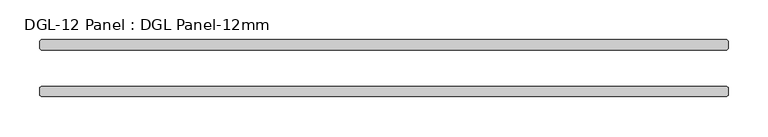
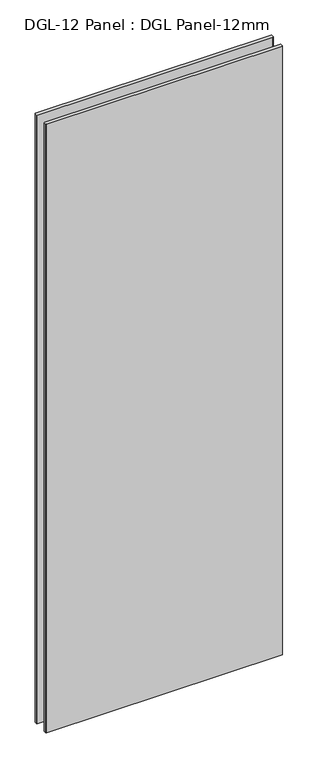
"""IFC4 building model written with IfcOpenShell, lengths in millimetres: plate geometry, DGL-12 Panel : DGL Panel-12mm."""

import ifcopenshell
import ifcopenshell.guid

model = None  # the IFC model being written
_history = None  # IfcOwnerHistory: only IFC2X3 demands one
_inside = {}  # id of a spatial element -> (the spatial element, [elements in it])
_under = {}  # id of a project, library or spatial element -> (it, [spatial elements below it])
_declared = {}  # id of a project -> (the project, [libraries it declares])
_typed = {}  # id of a type object -> (the type object, [elements of that type])
_made_of = {}  # id of a material, layer set ... -> (it, [elements and type objects made of it])


def new_model(schema):
    """Start an empty IFC model of exactly this schema.

    Asked for "IFC4X3", IfcOpenShell would pick the latest addendum, in which some entities
    have other attributes; the version numbers below select the first issue.
    IFC2X3 requires an IfcOwnerHistory on every rooted entity: one is made here for all.
    """
    global model, _history
    if schema == "IFC4X3":
        model = ifcopenshell.file(schema_version=(4, 3, 0, 0))
    else:
        model = ifcopenshell.file(schema=schema)
    _inside.clear()
    _under.clear()
    _declared.clear()
    _typed.clear()
    _made_of.clear()
    _history = None
    if model.schema == "IFC2X3":
        org = make("IfcOrganization", Name="unknown")
        user = make(
            "IfcPersonAndOrganization",
            ThePerson=make("IfcPerson", FamilyName="unknown"),
            TheOrganization=org,
        )
        app = make(
            "IfcApplication",
            ApplicationDeveloper=org,
            Version="unknown",
            ApplicationFullName="unknown",
            ApplicationIdentifier="unknown",
        )
        _history = make(
            "IfcOwnerHistory",
            OwningUser=user,
            OwningApplication=app,
            ChangeAction="ADDED",
            CreationDate=0,
        )
    return model


def make(cls, **values):
    """One entity of the class cls with the attributes given. An attribute that is None is left unset."""
    return model.create_entity(
        cls, **{name: value for name, value in values.items() if value is not None}
    )


def rooted(cls, **values):
    """An entity with a GlobalId (a new one), such as an element, a storey or a relation."""
    return make(cls, GlobalId=ifcopenshell.guid.new(), OwnerHistory=_history, **values)


def si_unit(unit_type, name, prefix=None):
    """IfcSIUnit, for example si_unit("LENGTHUNIT", "METRE", prefix="MILLI")."""
    return make("IfcSIUnit", UnitType=unit_type, Prefix=prefix, Name=name)


def assignment(units):
    """IfcUnitAssignment: the units of a project."""
    return None if units is None else make("IfcUnitAssignment", Units=units)


def point(xyz):
    """IfcCartesianPoint."""
    return None if xyz is None else make("IfcCartesianPoint", Coordinates=xyz)


def direction(xyz):
    """IfcDirection."""
    return None if xyz is None else make("IfcDirection", DirectionRatios=xyz)


def frame(location, z_axis=None, x_axis=None):
    """IfcAxis2Placement3D, a coordinate frame: its origin and axes. An axis left out is left unset."""
    return make(
        "IfcAxis2Placement3D",
        Location=point(location),
        Axis=direction(z_axis),
        RefDirection=direction(x_axis),
    )


def origin():
    """The frame at (0, 0, 0) with its axes left unset."""
    return frame((0.0, 0.0, 0.0))


def origin_with_axes():
    """The frame at (0, 0, 0) with the z axis (0, 0, 1) and the x axis (1, 0, 0) written out."""
    return frame((0.0, 0.0, 0.0), z_axis=(0.0, 0.0, 1.0), x_axis=(1.0, 0.0, 0.0))


def place(relative_to, where):
    """IfcLocalPlacement: puts the frame where relative to a parent placement (None: the world)."""
    return make(
        "IfcLocalPlacement", PlacementRelTo=relative_to, RelativePlacement=where
    )


def context(
    kind, dimensions, precision=None, world=None, true_north=None, identifier=None
):
    """IfcGeometricRepresentationContext, for example the 3D "Model" context."""
    return make(
        "IfcGeometricRepresentationContext",
        ContextIdentifier=identifier,
        ContextType=kind,
        CoordinateSpaceDimension=dimensions,
        Precision=precision,
        WorldCoordinateSystem=world,
        TrueNorth=true_north,
    )


def project(units=None, contexts=None):
    """IfcProject with its units and contexts."""
    return rooted(
        "IfcProject",
        Name="project",
        RepresentationContexts=contexts,
        UnitsInContext=assignment(units),
    )


def spatial(cls, under=None, at=None, **own):
    """A site, building, storey or space (cls), placed at a placement, below another one or the project."""
    s = rooted(cls, ObjectPlacement=at, **own)
    if under is not None:
        _under.setdefault(under.id(), (under, []))[1].append(s)
    return s


def polyline(points):
    """IfcPolyline through the points."""
    return make("IfcPolyline", Points=[point(p) for p in points])


def outline(outer, holes=None, kind="AREA"):
    """IfcArbitraryClosedProfileDef: a profile drawn as a closed curve; with holes, ...WithVoids."""
    if holes is None:
        return make("IfcArbitraryClosedProfileDef", ProfileType=kind, OuterCurve=outer)
    return make(
        "IfcArbitraryProfileDefWithVoids",
        ProfileType=kind,
        OuterCurve=outer,
        InnerCurves=holes,
    )


def extrude(swept, where, along, depth):
    """IfcExtrudedAreaSolid: the profile swept, set in the frame where, extruded along a direction by depth."""
    return make(
        "IfcExtrudedAreaSolid",
        SweptArea=swept,
        Position=where,
        ExtrudedDirection=direction(along),
        Depth=depth,
    )


def shape(context_of_items, identifier, shape_type, items):
    """IfcShapeRepresentation: the items that make up one representation, for example the "Body"."""
    return make(
        "IfcShapeRepresentation",
        ContextOfItems=context_of_items,
        RepresentationIdentifier=identifier,
        RepresentationType=shape_type,
        Items=items,
    )


def source(mapping_origin, context_of_items, identifier, shape_type, items):
    """IfcRepresentationMap: a shape defined once, which mapped items show again and again."""
    return make(
        "IfcRepresentationMap",
        MappingOrigin=mapping_origin,
        MappedRepresentation=shape(context_of_items, identifier, shape_type, items),
    )


def transform(
    local_origin,
    x_axis=None,
    y_axis=None,
    z_axis=None,
    scale=None,
    scale2=None,
    scale3=None,
    uniform=True,
):
    """IfcCartesianTransformationOperator3D, or its non-uniform kind. x_axis, y_axis, z_axis: its Axis1, 2, 3."""
    if uniform:
        return make(
            "IfcCartesianTransformationOperator3D",
            Axis1=direction(x_axis),
            Axis2=direction(y_axis),
            LocalOrigin=point(local_origin),
            Scale=scale,
            Axis3=direction(z_axis),
        )
    return make(
        "IfcCartesianTransformationOperator3DnonUniform",
        Axis1=direction(x_axis),
        Axis2=direction(y_axis),
        LocalOrigin=point(local_origin),
        Scale=scale,
        Axis3=direction(z_axis),
        Scale2=scale2,
        Scale3=scale3,
    )


def mapped(mapping_source, mapping_target):
    """IfcMappedItem: shows the shape of a source again, moved by a transform."""
    return make(
        "IfcMappedItem", MappingSource=mapping_source, MappingTarget=mapping_target
    )


def made_of(thing, what):
    """Note that an element or type object is made of a material, layer set ...; save() writes the relation."""
    if what is not None:
        _made_of.setdefault(what.id(), (what, []))[1].append(thing)
    return thing


def element(
    cls,
    number,
    at=None,
    inside=None,
    cuts=None,
    type_object=None,
    material=None,
    context=None,
    identifier="Body",
    shape_type=None,
    held_by="IfcProductDefinitionShape",
    body=None,
    shapes=None,
    **own,
):
    """One element of the class cls, such as IfcWall. Its Tag is "e" and its number.

    at: its placement. inside: the storey or other place that contains it. cuts: it is an
    opening in that element (IfcRelVoidsElement). A single representation is given by context,
    identifier, shape_type and body (its items); several are given by shapes. held_by: the class
    of the entity that holds the representations. save() writes the other relations.
    """
    e = rooted(cls, Tag="e%d" % number, ObjectPlacement=at, **own)
    if body is not None:
        shapes = [shape(context, identifier, shape_type, body)]
    if shapes is not None:
        e.Representation = make(held_by, Representations=shapes)
    if inside is not None:
        _inside.setdefault(inside.id(), (inside, []))[1].append(e)
    if cuts is not None:
        rooted(
            "IfcRelVoidsElement", RelatingBuildingElement=cuts, RelatedOpeningElement=e
        )
    if type_object is not None:
        _typed.setdefault(type_object.id(), (type_object, []))[1].append(e)
    return made_of(e, material)


def aggregate(whole, parts):
    """IfcRelAggregates: a whole, such as a stair, and the parts it consists of."""
    return rooted("IfcRelAggregates", RelatingObject=whole, RelatedObjects=parts)


def save(model, path):
    """Write the relations noted so far, then the file.

    IfcRelAggregates (storeys below a building ...), IfcRelContainedInSpatialStructure (elements
    in a storey), IfcRelDefinesByType, IfcRelAssociatesMaterial and IfcRelDeclares: one each for
    every whole, place, type object, material and project.
    """
    for whole, parts in _under.values():
        aggregate(whole, parts)
    for where, things in _inside.values():
        rooted(
            "IfcRelContainedInSpatialStructure",
            RelatedElements=things,
            RelatingStructure=where,
        )
    for kind, things in _typed.values():
        rooted("IfcRelDefinesByType", RelatedObjects=things, RelatingType=kind)
    for what, things in _made_of.values():
        rooted("IfcRelAssociatesMaterial", RelatedObjects=things, RelatingMaterial=what)
    for by, libraries in _declared.values():
        rooted("IfcRelDeclares", RelatingContext=by, RelatedDefinitions=libraries)
    model.write(path)


def dgl_12_panel_dgl_panel_12mm_435c8e29(model_context):
    return source(origin(), model_context, "Body", "SweptSolid", [
        extrude(outline(polyline([(429.2760311, 22.9195313), (-429.2760311, 22.9195313), (-430.8635311, 24.5070313), (-430.8635311, 34.0320313), (-429.2760311, 35.6195313), (429.2760311, 35.6195313), (430.8635311, 34.0320313), (430.8635311, 24.5070313), (429.2760311, 22.9195313)])), origin_with_axes(), (0.0, 0.0, 1.0), 2339.4648576),
        extrude(outline(polyline([(429.2760311, -35.6195312), (-429.2760311, -35.6195312), (-430.8635311, -34.0320312), (-430.8635311, -24.5070312), (-429.2760311, -22.9195312), (429.2760311, -22.9195312), (430.8635311, -24.5070312), (430.8635311, -34.0320312), (429.2760311, -35.6195312)])), origin_with_axes(), (0.0, 0.0, 1.0), 2339.4648576),
    ])


if __name__ == "__main__":
    model = new_model("IFC4")
    model_context = context("Model", 3, world=origin())
    ifc_project = project(units=[si_unit("LENGTHUNIT", "METRE", prefix="MILLI")], contexts=[model_context])
    site = spatial("IfcSite", under=ifc_project)
    building = spatial("IfcBuilding", under=site)
    placement = place(None, origin())
    dgl_12_panel_dgl_panel_12mm_shape = dgl_12_panel_dgl_panel_12mm_435c8e29(model_context)
    element("IfcPlate", 1, ObjectType="DGL-12 Panel : DGL Panel-12mm", at=placement, inside=building, context=model_context, shape_type="MappedRepresentation", body=[
        mapped(dgl_12_panel_dgl_panel_12mm_shape, transform((0.0, 0.0, 0.0), x_axis=(1.0, 0.0, 0.0), y_axis=(0.0, 1.0, 0.0), z_axis=(0.0, 0.0, 1.0))),
    ])
    save(model, "model.ifc")
